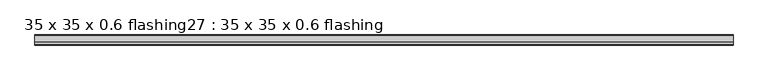
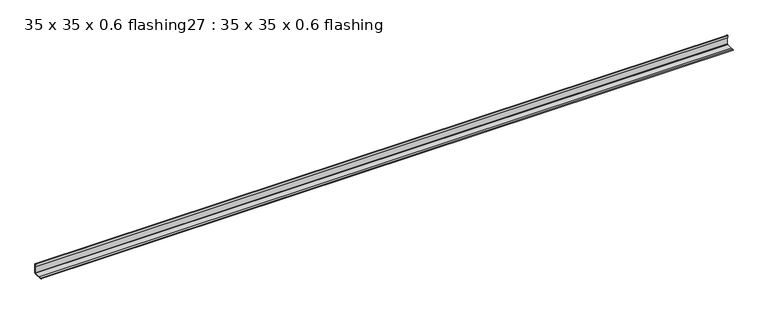
"""IFC4 building model written with IfcOpenShell, lengths in millimetres: proxy geometry, 35 x 35 x 0.6 flashing27 : 35 x 35 x 0.6 flashing."""

from ifc_helpers import new_model, si_unit, frame, origin, place, context, project, spatial, polyline, circle_curve, source, transform, mapped, element, save
from ifc_brep_helpers import plane_surface, cylinder_surface, revolved_surface, advanced_brep


def proxy_35_x_35_x_0_6_flashing27_35_x_35_x_0_6_flashing_01ff96d9(model_context):
    return source(origin(), model_context, "Body", "AdvancedBrep", [
        advanced_brep(
        [(1594.3435633, -10439.3556364, 1422.388714), (1594.3435633, -10439.3556364, 1424.388714), (1594.3435633, -10430.3538523, 1424.388714), (1594.3435633, -10430.3538523, 1423.388714), (1594.3435633, -10407.8538523, 1423.388714), (1594.3435633, -10406.3538523, 1424.888714), (1594.3435633, -10406.3538524, 1447.388714), (1594.3435633, -10407.3538541, 1447.388714), (1594.3435633, -10407.3538541, 1456.4213914), (1594.3435633, -10405.3538541, 1456.4213914), (1594.3435633, -10405.3538523, 1424.888714), (1594.3435633, -10407.8538523, 1422.388714), (4004.9874567, -10439.3556364, 1422.388714), (4004.9874567, -10407.8538523, 1422.388714), (4004.9874567, -10405.3538523, 1424.888714), (4004.9874567, -10405.3538524, 1456.4213914), (4004.9874567, -10407.3538541, 1456.4213914), (4004.9874567, -10407.3538541, 1447.388714), (4004.9874567, -10406.3538524, 1447.388714), (4004.9874567, -10406.3538523, 1424.888714), (4004.9874567, -10407.8538523, 1423.388714), (4004.9874567, -10430.3538523, 1423.388714), (4004.9874567, -10430.3538523, 1424.388714), (4004.9874567, -10439.3556364, 1424.388714)],
        [
            (0, 1, circle_curve(frame((1594.3435633, -10439.3556364, 1423.388714), z_axis=(-1.0, 0.0, 0.0), x_axis=(0.0, 1.3620419913400892e-09, 1.0)), 1.0)),
            (1, 2),
            (2, 3),
            (3, 4),
            (4, 5, circle_curve(frame((1594.3435633, -10407.8538523, 1424.888714), z_axis=(1.0, 0.0, 0.0), x_axis=(0.0, -1.0, -1.3620454330314655e-09)), 1.5)),
            (5, 6),
            (6, 7),
            (7, 8),
            (8, 9, circle_curve(frame((1594.3435633, -10406.3538541, 1456.4213914), z_axis=(-1.0, 0.0, 0.0), x_axis=(0.0, -1.3620419913400892e-09, -1.0)), 1.0)),
            (9, 10),
            (10, 11, circle_curve(frame((1594.3435633, -10407.8538523, 1424.888714), z_axis=(-1.0, 0.0, 0.0), x_axis=(0.0, -1.0, -1.3620454330314655e-09)), 2.5)),
            (11, 0),
            (12, 13),
            (13, 14, circle_curve(frame((4004.9874567, -10407.8538523, 1424.888714), z_axis=(1.0, 0.0, 0.0), x_axis=(0.0, -1.0, -1.3620454330314655e-09)), 2.5)),
            (14, 15),
            (15, 16, circle_curve(frame((4004.9874567, -10406.3538541, 1456.4213914), z_axis=(1.0, 0.0, 0.0), x_axis=(0.0, -1.3620419913400892e-09, -1.0)), 1.0)),
            (16, 17),
            (17, 18),
            (18, 19),
            (19, 20, circle_curve(frame((4004.9874567, -10407.8538523, 1424.888714), z_axis=(-1.0, 0.0, 0.0), x_axis=(0.0, -1.0, -1.3620454330314655e-09)), 1.5)),
            (20, 21),
            (21, 22),
            (22, 23),
            (23, 12, circle_curve(frame((4004.9874567, -10439.3556364, 1423.388714), z_axis=(1.0, 0.0, 0.0), x_axis=(0.0, 1.3620419913400892e-09, 1.0)), 1.0)),
            (11, 13),
            (12, 0),
            (9, 15),
            (14, 10),
            (5, 19),
            (18, 6),
            (3, 21),
            (20, 4),
            (23, 1),
            (22, 2),
            (17, 7),
            (16, 8),
        ],
        [
            plane_surface(frame((1594.3435633, -10405.3538523, 1422.388714), z_axis=(-1.0, 0.0, 0.0), x_axis=(0.0, -1.0, -1.3620419913400892e-09))),
            plane_surface(frame((4004.9874567, -10405.3538523, 1422.388714), z_axis=(1.0, 0.0, 0.0), x_axis=(0.0, -1.0, -1.3620419913400892e-09))),
            plane_surface(frame((1594.3435633, -10407.8538523, 1422.388714), z_axis=(0.0, 1.3620419913400892e-09, -1.0), x_axis=(1.0, 0.0, 0.0))),
            plane_surface(frame((1594.3435633, -10405.3538524, 1456.4213914), z_axis=(0.0, 1.0, 1.362045224317374e-09), x_axis=(1.0, 0.0, 0.0))),
            plane_surface(frame((1594.3435633, -10406.3538523, 1424.888714), z_axis=(0.0, -1.0, -1.3620452182318823e-09), x_axis=(1.0, 0.0, 0.0))),
            plane_surface(frame((1594.3435633, -10430.3538523, 1423.388714), z_axis=(0.0, -1.3620419913400892e-09, 1.0), x_axis=(1.0, 0.0, 0.0))),
            cylinder_surface(frame((1594.3435633, -10407.8538523, 1424.888714), z_axis=(-1.0, 0.0, 0.0), x_axis=(0.0, -1.0, -1.3620454330314655e-09)), 2.5),
            revolved_surface(polyline([(4004.9874567, -10409.3538523, 1424.8887139979568), (1594.3435633, -10409.3538523, 1424.8887139979568)]), (1594.3435633, -10407.8538523, 1424.888714), (1.0, 0.0, 0.0)),
            cylinder_surface(frame((1594.3435633, -10439.3556364, 1423.388714), z_axis=(-1.0, 0.0, 0.0), x_axis=(0.0, 1.3620419913400892e-09, 1.0)), 1.0),
            plane_surface(frame((1594.3435633, -10439.3556364, 1424.388714), z_axis=(0.0, 1.3620419913400892e-09, 1.0), x_axis=(1.0, 0.0, 0.0))),
            plane_surface(frame((1594.3435633, -10430.3538523, 1424.388714), z_axis=(0.0, 1.0, -1.362046221289813e-09), x_axis=(1.0, 0.0, 0.0))),
            plane_surface(frame((1594.3435633, -10406.3538524, 1447.388714), z_axis=(0.0, -1.3620419913400892e-09, -1.0), x_axis=(1.0, 0.0, 0.0))),
            plane_surface(frame((1594.3435633, -10407.3538541, 1447.388714), z_axis=(0.0, -1.0, 1.3620419913400892e-09), x_axis=(1.0, 0.0, 0.0))),
            cylinder_surface(frame((1594.3435633, -10406.3538541, 1456.4213914), z_axis=(-1.0, 0.0, 0.0), x_axis=(0.0, -1.3620419913400892e-09, -1.0)), 1.0),
        ],
        [
            (0, [[1, 2, 3, 4, 5, 6, 7, 8, 9, 10, 11, 12]]),
            (1, [[13, 14, 15, 16, 17, 18, 19, 20, 21, 22, 23, 24]]),
            (2, [[-12, 25, -13, 26]]),
            (3, [[-10, 27, -15, 28]]),
            (4, [[-6, 29, -19, 30]]),
            (5, [[-4, 31, -21, 32]]),
            (6, [[-11, -28, -14, -25]]),
            (7, [[-5, -32, -20, -29]]),
            (8, [[-1, -26, -24, 33]]),
            (9, [[-2, -33, -23, 34]]),
            (10, [[-3, -34, -22, -31]]),
            (11, [[-7, -30, -18, 35]]),
            (12, [[-8, -35, -17, 36]]),
            (13, [[-9, -36, -16, -27]]),
        ],
    ),
    ])


if __name__ == "__main__":
    model = new_model("IFC4")
    model_context = context("Model", 3, world=origin())
    ifc_project = project(units=[si_unit("LENGTHUNIT", "METRE", prefix="MILLI")], contexts=[model_context])
    site = spatial("IfcSite", under=ifc_project)
    building = spatial("IfcBuilding", under=site)
    placement = place(None, origin())
    proxy_35_x_35_x_0_6_flashing27_35_x_35_x_0_6_flashing_shape = proxy_35_x_35_x_0_6_flashing27_35_x_35_x_0_6_flashing_01ff96d9(model_context)
    element("IfcBuildingElementProxy", 1, Name="35 x 35 x 0.6 flashing27 : 35 x 35 x 0.6 flashing", ObjectType="35 x 35 x 0.6 flashing27 : 35 x 35 x 0.6 flashing", at=placement, inside=building, context=model_context, shape_type="MappedRepresentation", body=[
        mapped(proxy_35_x_35_x_0_6_flashing27_35_x_35_x_0_6_flashing_shape, transform((0.0, 0.0, 0.0), x_axis=(1.0, 0.0, 0.0), y_axis=(0.0, 1.0, 0.0), z_axis=(0.0, 0.0, 1.0))),
    ])
    save(model, "model.ifc")
